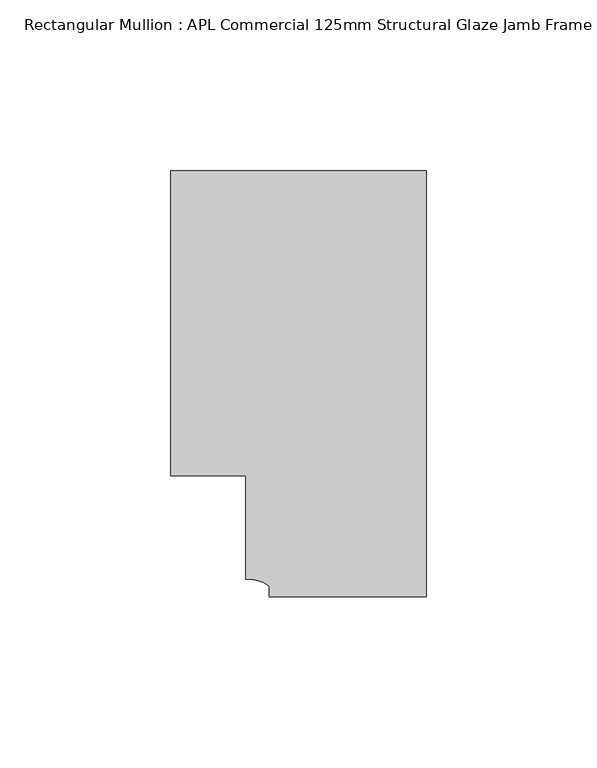
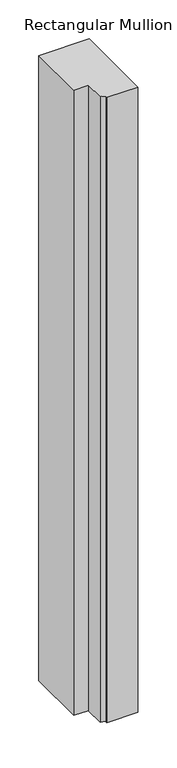
"""IFC4 building model written with IfcOpenShell, lengths in millimetres: member geometry, Rectangular Mullion : APL Commercial 125mm Structural Glaze Jamb Frame (left)."""

from ifc_helpers import new_model, si_unit, point, frame, frame_2d, origin, place, context, project, spatial, polyline, circle_curve, trimmed, segment, composite_curve, outline, extrude, source, transform, mapped, element, save


def rectangular_mullion_apl_commercial_125mm_structural_glaze_900bba26(model_context):
    return source(origin(), model_context, "Body", "SweptSolid", [
        extrude(outline(composite_curve([segment(polyline([(0.0, -20.5), (-45.9999842, -20.5), (-45.9999842, -17.3125325)]), True, "CONTINUOUS"), segment(trimmed(circle_curve(frame_2d((-52.1098019, -25.7981812)), 10.4563907), [point((-45.9999842, -17.3125325))], [point((-52.9999391, -15.3797475))], True, "CARTESIAN"), True, "CONTINUOUS"), segment(polyline([(-52.9999391, -15.3797475), (-52.9999391, 15.0000829), (-75.0, 15.0000829), (-75.0, 104.5), (0.0, 104.5), (0.0, -20.5)]), True, "CONTINUOUS")], self_intersect=False)), frame((0.0, 0.0, -983.6595328), z_axis=(0.0, 0.0, 1.0), x_axis=(1.0, 0.0, 0.0)), (0.0, 0.0, 1.0), 983.6595328),
    ])


if __name__ == "__main__":
    model = new_model("IFC4")
    model_context = context("Model", 3, world=origin())
    ifc_project = project(units=[si_unit("LENGTHUNIT", "METRE", prefix="MILLI")], contexts=[model_context])
    site = spatial("IfcSite", under=ifc_project)
    building = spatial("IfcBuilding", under=site)
    placement = place(None, origin())
    rectangular_mullion_apl_commercial_125mm_structural_glaze_shape = rectangular_mullion_apl_commercial_125mm_structural_glaze_900bba26(model_context)
    element("IfcMember", 1, ObjectType="Rectangular Mullion : APL Commercial 125mm Structural Glaze Jamb Frame (left)", at=placement, inside=building, context=model_context, shape_type="MappedRepresentation", body=[
        mapped(rectangular_mullion_apl_commercial_125mm_structural_glaze_shape, transform((0.0, 0.0, 0.0), x_axis=(1.0, 0.0, 0.0), y_axis=(0.0, 1.0, 0.0), z_axis=(0.0, 0.0, 1.0))),
    ])
    save(model, "model.ifc")
